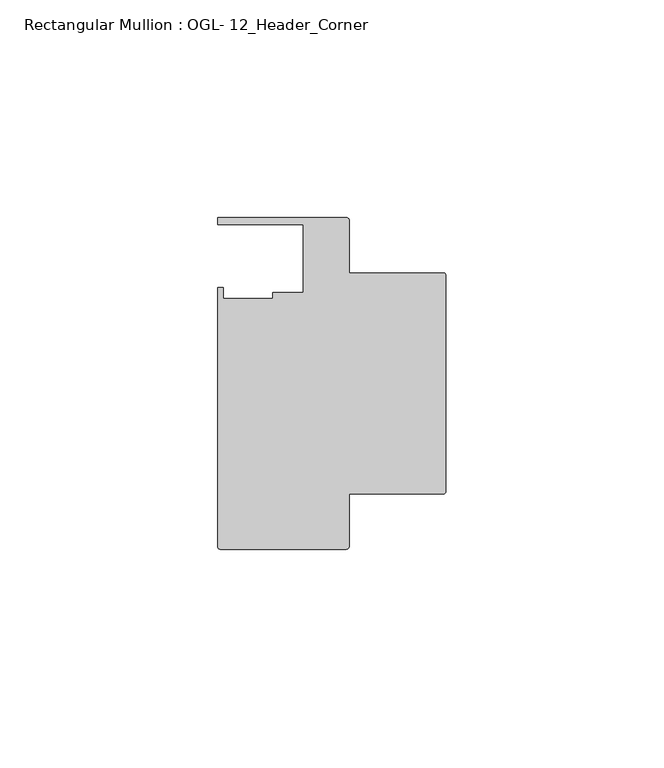
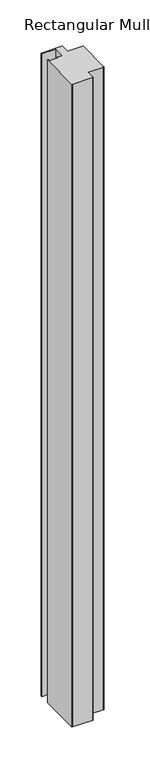
"""IFC4 building model written with IfcOpenShell, lengths in millimetres: member geometry, Rectangular Mullion : OGL- 12_Header_Corner."""

from ifc_helpers import new_model, si_unit, point, frame, frame_2d, origin, place, context, project, spatial, polyline, circle_curve, trimmed, segment, composite_curve, outline, extrude, source, transform, mapped, element, save


def rectangular_mullion_ogl_12_header_corner_e1dc3865(model_context):
    return source(origin(), model_context, "Body", "SweptSolid", [
        extrude(outline(composite_curve([segment(polyline([(-0.5953125, -55.5625), (-22.2332898, -55.5625), (-22.2332898, -67.6668667)]), True, "CONTINUOUS"), segment(trimmed(circle_curve(frame_2d((-22.8286023, -67.6668667)), 0.5953125), [point((-22.2332898, -67.6668667))], [point((-22.8286023, -68.2621792))], False, "CARTESIAN"), True, "CONTINUOUS"), segment(polyline([(-22.8286023, -68.2621792), (-51.7968699, -68.2621792)]), True, "CONTINUOUS"), segment(trimmed(circle_curve(frame_2d((-51.7968699, -67.6668667)), 0.5953125), [point((-51.7968699, -68.2621792))], [point((-52.3921824, -67.6668667))], False, "CARTESIAN"), True, "CONTINUOUS"), segment(polyline([(-52.3921824, -67.6668667), (-52.3921824, -8.1914024), (-51.1362531, -8.1914024), (-51.1362531, -10.6800725), (-39.7567771, -10.6800725), (-39.7567771, -9.3367652), (-32.730302, -9.3367652), (-32.730302, 6.350016), (-52.3830881, 6.350016), (-52.3830881, 7.937516), (-22.8763468, 7.937516)]), True, "CONTINUOUS"), segment(trimmed(circle_curve(frame_2d((-22.8763468, 7.294459)), 0.643057), [point((-22.8763468, 7.937516))], [point((-22.2332898, 7.294459))], False, "CARTESIAN"), True, "CONTINUOUS"), segment(polyline([(-22.2332898, 7.294459), (-22.2332898, -4.7625), (-0.5953125, -4.7625)]), True, "CONTINUOUS"), segment(trimmed(circle_curve(frame_2d((-0.5953125, -5.3578125)), 0.5953125), [point((-0.5953125, -4.7625))], [point((0.0, -5.3578125))], False, "CARTESIAN"), True, "CONTINUOUS"), segment(polyline([(0.0, -5.3578125), (0.0, -54.9671875)]), True, "CONTINUOUS"), segment(trimmed(circle_curve(frame_2d((-0.5953125, -54.9671875)), 0.5953125), [point((0.0, -54.9671875))], [point((-0.5953125, -55.5625))], False, "CARTESIAN"), True, "CONTINUOUS")], self_intersect=False)), frame((0.0, 0.0, -956.7333333), z_axis=(0.0, 0.0, 1.0), x_axis=(1.0, 0.0, 0.0)), (0.0, 0.0, 1.0), 956.7333333),
    ])


if __name__ == "__main__":
    model = new_model("IFC4")
    model_context = context("Model", 3, world=origin())
    ifc_project = project(units=[si_unit("LENGTHUNIT", "METRE", prefix="MILLI")], contexts=[model_context])
    site = spatial("IfcSite", under=ifc_project)
    building = spatial("IfcBuilding", under=site)
    placement = place(None, origin())
    rectangular_mullion_ogl_12_header_corner_shape = rectangular_mullion_ogl_12_header_corner_e1dc3865(model_context)
    element("IfcMember", 1, ObjectType="Rectangular Mullion : OGL- 12_Header_Corner", at=placement, inside=building, context=model_context, shape_type="MappedRepresentation", body=[
        mapped(rectangular_mullion_ogl_12_header_corner_shape, transform((0.0, 0.0, 0.0), x_axis=(1.0, 0.0, 0.0), y_axis=(0.0, 1.0, 0.0), z_axis=(0.0, 0.0, 1.0))),
    ])
    save(model, "model.ifc")
